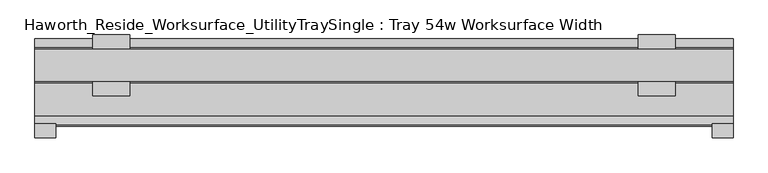
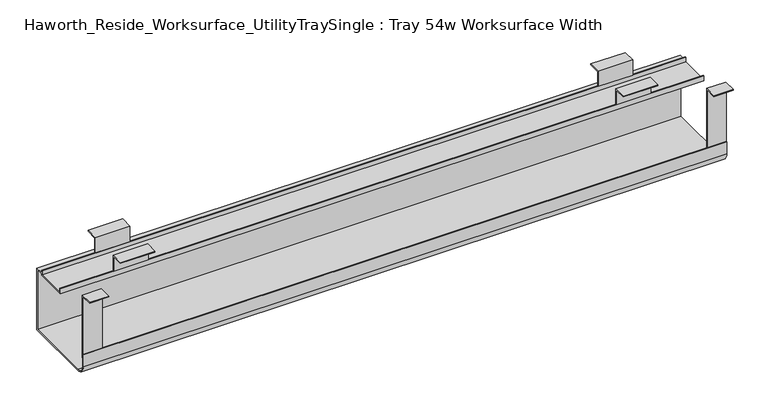
"""IFC4 building model written with IfcOpenShell, lengths in millimetres: furniture geometry, Haworth_Reside_Worksurface_UtilityTraySingle : Tray 54w Worksurface Width."""

from ifc_helpers import new_model, si_unit, point, frame, frame_2d, origin, place, context, project, spatial, polyline, circle_curve, trimmed, segment, composite_curve, outline, extrude, source, transform, mapped, element, save


def haworth_reside_worksurface_utilitytraysingle_tray_54w_d3175d15(model_context):
    return source(origin(), model_context, "Body", "SweptSolid", [
        extrude(outline(polyline([(85.2804983, 731.8375), (85.2804983, 705.0616227), (83.6929983, 705.0616227), (83.6929983, 730.25), (64.1984987, 730.25), (64.1984987, 731.8375), (85.2804983, 731.8375)])), frame((464.34375, 0.0, 0.0), z_axis=(1.0, 0.0, 0.0), x_axis=(0.0, 1.0, 0.0)), (0.0, 0.0, 1.0), 57.15),
        extrude(outline(polyline([(136.0804991, 731.8375), (157.1625, 731.8375), (157.1625, 730.25), (137.6679991, 730.25), (137.6679991, 705.0616227), (136.0804991, 705.0616227), (136.0804991, 731.8375)])), frame((464.34375, 0.0, 0.0), z_axis=(1.0, 0.0, 0.0), x_axis=(0.0, 1.0, 0.0)), (0.0, 0.0, 1.0), 57.15),
        extrude(outline(polyline([(85.2804983, 731.8375), (85.2804983, 705.0616227), (83.6929983, 705.0616227), (83.6929983, 730.25), (64.1984987, 730.25), (64.1984987, 731.8375), (85.2804983, 731.8375)])), frame((-369.09375, 0.0, 0.0), z_axis=(1.0, 0.0, 0.0), x_axis=(0.0, 1.0, 0.0)), (0.0, 0.0, 1.0), 57.15),
        extrude(outline(polyline([(136.0804991, 731.8375), (157.1625, 731.8375), (157.1625, 730.25), (137.6679991, 730.25), (137.6679991, 705.0616227), (136.0804991, 705.0616227), (136.0804991, 731.8375)])), frame((-369.09375, 0.0, 0.0), z_axis=(1.0, 0.0, 0.0), x_axis=(0.0, 1.0, 0.0)), (0.0, 0.0, 1.0), 57.15),
        extrude(outline(polyline([(21.0438957, 731.8375), (21.0438957, 622.3673792), (19.4563957, 622.3673792), (19.4563957, 730.25), (0.0, 730.25), (0.0, 731.8375), (21.0438957, 731.8375)])), frame((577.85, 0.0, 0.0), z_axis=(1.0, 0.0, 0.0), x_axis=(0.0, 1.0, 0.0)), (0.0, 0.0, 1.0), 31.75),
        extrude(outline(polyline([(21.0438957, 731.8375), (21.0438957, 622.3673792), (19.4563957, 622.3673792), (19.4563957, 730.25), (0.0, 730.25), (0.0, 731.8375), (21.0438957, 731.8375)])), frame((-457.2, 0.0, 0.0), z_axis=(1.0, 0.0, 0.0), x_axis=(0.0, 1.0, 0.0)), (0.0, 0.0, 1.0), 31.75),
        extrude(outline(composite_curve([segment(polyline([(151.2189002, 592.1375), (33.7438957, 592.1375)]), True, "CONTINUOUS"), segment(trimmed(circle_curve(frame_2d((33.7438957, 608.0125)), 15.875), [point((33.7438957, 592.1375))], [point((17.8688957, 608.0125))], False, "CARTESIAN"), True, "CONTINUOUS"), segment(polyline([(17.8688957, 608.0125), (17.8688957, 629.0309801), (19.4563957, 629.0309801), (19.4563957, 608.0759608)]), True, "CONTINUOUS"), segment(trimmed(circle_curve(frame_2d((33.7438957, 608.0759608)), 14.2875), [point((19.4563957, 608.0759608))], [point((33.7438957, 593.7884608))], True, "CARTESIAN"), True, "CONTINUOUS"), segment(polyline([(33.7438957, 593.7884608), (149.6314002, 593.7884608), (149.6314002, 698.4364942), (137.6679991, 698.4364942), (137.6679991, 695.8584054), (83.6929983, 695.8584054), (83.6929983, 705.0616227), (85.2804983, 705.0616227), (85.2804983, 697.4459054), (136.0804991, 697.4459054), (136.0804991, 705.0616227), (137.6679991, 705.0616227), (137.6679991, 700.0239942), (151.2189002, 700.0239942), (151.2189002, 592.1375)]), True, "CONTINUOUS")], self_intersect=False)), frame((-457.2, 0.0, 0.0), z_axis=(1.0, 0.0, 0.0), x_axis=(0.0, 1.0, 0.0)), (0.0, 0.0, 1.0), 1066.8),
    ])


if __name__ == "__main__":
    model = new_model("IFC4")
    model_context = context("Model", 3, world=origin())
    ifc_project = project(units=[si_unit("LENGTHUNIT", "METRE", prefix="MILLI")], contexts=[model_context])
    site = spatial("IfcSite", under=ifc_project)
    building = spatial("IfcBuilding", under=site)
    placement = place(None, origin())
    haworth_reside_worksurface_utilitytraysingle_tray_54w_shape = haworth_reside_worksurface_utilitytraysingle_tray_54w_d3175d15(model_context)
    element("IfcFurniture", 1, ObjectType="Haworth_Reside_Worksurface_UtilityTraySingle : Tray 54w Worksurface Width", at=placement, inside=building, context=model_context, shape_type="MappedRepresentation", body=[
        mapped(haworth_reside_worksurface_utilitytraysingle_tray_54w_shape, transform((0.0, 0.0, 0.0), x_axis=(1.0, 0.0, 0.0), y_axis=(0.0, 1.0, 0.0), z_axis=(0.0, 0.0, 1.0))),
    ])
    save(model, "model.ifc")
